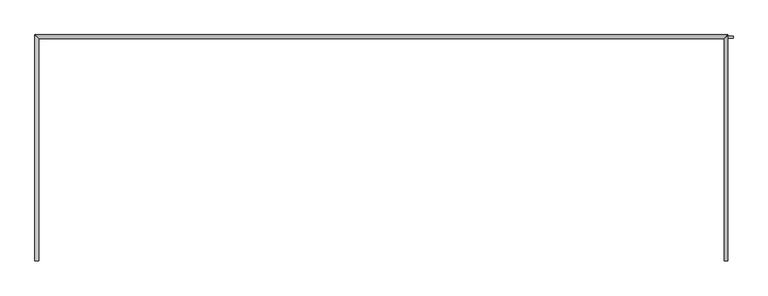
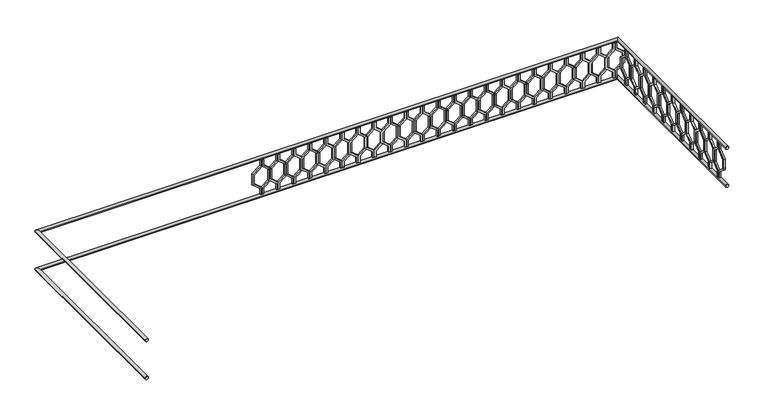
"""IFC4 building model written with IfcOpenShell, lengths in millimetres: railing geometry."""

from ifc_helpers import new_model, si_unit, frame, origin, place, context, project, spatial, polyline, circle_curve, ellipse_curve, outline, extrude, source, transform, mapped, element, save
from ifc_brep_helpers import plane_surface, cylinder_surface, advanced_brep


def railing_b432d40b(model_context):
    return source(origin(), model_context, "Body", "SolidModel", [
        advanced_brep(
        [(42360.0112841, 903.1079487, 12180.0), (42320.0112841, 903.1079487, 12180.0), (42320.0112841, 3283.1079487, 12180.0), (42360.0112841, 3243.1079487, 12180.0), (49600.0112841, 3283.1079487, 12180.0), (49560.0112841, 3243.1079487, 12180.0), (49560.0112841, 903.1079487, 12180.0), (49600.0112841, 903.1079487, 12180.0)],
        [
            (0, 1, circle_curve(frame((42340.0112841, 903.1079487, 12180.0), z_axis=(0.0, -1.0, 0.0), x_axis=(-1.0, 0.0, 0.0)), 20.0)),
            (1, 0, circle_curve(frame((42340.0112841, 903.1079487, 12180.0), z_axis=(0.0, -1.0, 0.0), x_axis=(-1.0, 0.0, 0.0)), 20.0)),
            (1, 2),
            (2, 3, ellipse_curve(frame((42340.0112841, 3263.1079487, 12180.0), z_axis=(-0.7071067811865475, -0.7071067811865476, 0.0), x_axis=(0.7071067811865476, -0.7071067811865475, 0.0)), 28.2842712, 20.0)),
            (3, 0),
            (3, 2, ellipse_curve(frame((42340.0112841, 3263.1079487, 12180.0), z_axis=(-0.7071067811865475, -0.7071067811865476, 0.0), x_axis=(0.7071067811865476, -0.7071067811865475, 0.0)), 28.2842712, 20.0)),
            (2, 4),
            (4, 5, ellipse_curve(frame((49580.0112841, 3263.1079487, 12180.0), z_axis=(-0.7071067811865481, 0.7071067811865469, 0.0), x_axis=(-0.7071067811865469, -0.7071067811865481, 0.0)), 28.2842712, 20.0)),
            (5, 3),
            (5, 4, ellipse_curve(frame((49580.0112841, 3263.1079487, 12180.0), z_axis=(-0.7071067811865481, 0.7071067811865469, 0.0), x_axis=(-0.7071067811865469, -0.7071067811865481, 0.0)), 28.2842712, 20.0)),
            (6, 7, circle_curve(frame((49580.0112841, 903.1079487, 12180.0), z_axis=(0.0, -1.0, 0.0), x_axis=(1.0, 0.0, 0.0)), 20.0)),
            (7, 6, circle_curve(frame((49580.0112841, 903.1079487, 12180.0), z_axis=(0.0, -1.0, 0.0), x_axis=(1.0, 0.0, 0.0)), 20.0)),
            (4, 7),
            (6, 5),
        ],
        [
            plane_surface(frame((42340.0112841, 903.1079487, 12200.0), z_axis=(0.0, -1.0, 0.0), x_axis=(0.0, 0.0, 1.0))),
            cylinder_surface(frame((42340.0112841, 903.1079487, 12180.0), z_axis=(0.0, -1.0, 0.0), x_axis=(-1.0, 0.0, 0.0)), 20.0),
            cylinder_surface(frame((42340.0112841, 3263.1079487, 12180.0), z_axis=(-1.0, 0.0, 0.0), x_axis=(0.0, 1.0, 0.0)), 20.0),
            plane_surface(frame((49580.0112841, 903.1079487, 12200.0), z_axis=(0.0, -1.0, 0.0), x_axis=(0.0, 0.0, -1.0))),
            cylinder_surface(frame((49580.0112841, 3263.1079487, 12180.0), z_axis=(0.0, 1.0, 0.0), x_axis=(1.0, 0.0, 0.0)), 20.0),
        ],
        [
            (0, [[1, 2]]),
            (1, [[-2, 3, 4, 5]]),
            (1, [[-1, -5, 6, -3]]),
            (2, [[-4, 7, 8, 9]]),
            (2, [[-6, -9, 10, -7]]),
            (3, [[11, 12]]),
            (4, [[-8, 13, -11, 14]]),
            (4, [[-10, -14, -12, -13]]),
        ],
    ),
        advanced_brep(
        [(42360.0112841, 903.1079487, 11680.0), (42320.0112841, 903.1079487, 11680.0), (42320.0112841, 3283.1079487, 11680.0), (42360.0112841, 3243.1079487, 11680.0), (49600.0112841, 3283.1079487, 11680.0), (49560.0112841, 3243.1079487, 11680.0), (49560.0112841, 903.1079487, 11680.0), (49600.0112841, 903.1079487, 11680.0)],
        [
            (0, 1, circle_curve(frame((42340.0112841, 903.1079487, 11680.0), z_axis=(0.0, -1.0, 0.0), x_axis=(-1.0, 0.0, 0.0)), 20.0)),
            (1, 0, circle_curve(frame((42340.0112841, 903.1079487, 11680.0), z_axis=(0.0, -1.0, 0.0), x_axis=(-1.0, 0.0, 0.0)), 20.0)),
            (1, 2),
            (2, 3, ellipse_curve(frame((42340.0112841, 3263.1079487, 11680.0), z_axis=(-0.7071067811865475, -0.7071067811865476, 0.0), x_axis=(0.7071067811865476, -0.7071067811865475, 0.0)), 28.2842712, 20.0)),
            (3, 0),
            (3, 2, ellipse_curve(frame((42340.0112841, 3263.1079487, 11680.0), z_axis=(-0.7071067811865475, -0.7071067811865476, 0.0), x_axis=(0.7071067811865476, -0.7071067811865475, 0.0)), 28.2842712, 20.0)),
            (2, 4),
            (4, 5, ellipse_curve(frame((49580.0112841, 3263.1079487, 11680.0), z_axis=(-0.7071067811865481, 0.7071067811865469, 0.0), x_axis=(-0.7071067811865469, -0.7071067811865481, 0.0)), 28.2842712, 20.0)),
            (5, 3),
            (5, 4, ellipse_curve(frame((49580.0112841, 3263.1079487, 11680.0), z_axis=(-0.7071067811865481, 0.7071067811865469, 0.0), x_axis=(-0.7071067811865469, -0.7071067811865481, 0.0)), 28.2842712, 20.0)),
            (6, 7, circle_curve(frame((49580.0112841, 903.1079487, 11680.0), z_axis=(0.0, -1.0, 0.0), x_axis=(1.0, 0.0, 0.0)), 20.0)),
            (7, 6, circle_curve(frame((49580.0112841, 903.1079487, 11680.0), z_axis=(0.0, -1.0, 0.0), x_axis=(1.0, 0.0, 0.0)), 20.0)),
            (4, 7),
            (6, 5),
        ],
        [
            plane_surface(frame((42340.0112841, 903.1079487, 11700.0), z_axis=(0.0, -1.0, 0.0), x_axis=(0.0, 0.0, 1.0))),
            cylinder_surface(frame((42340.0112841, 903.1079487, 11680.0), z_axis=(0.0, -1.0, 0.0), x_axis=(-1.0, 0.0, 0.0)), 20.0),
            cylinder_surface(frame((42340.0112841, 3263.1079487, 11680.0), z_axis=(-1.0, 0.0, 0.0), x_axis=(0.0, 1.0, 0.0)), 20.0),
            plane_surface(frame((49580.0112841, 903.1079487, 11700.0), z_axis=(0.0, -1.0, 0.0), x_axis=(0.0, 0.0, -1.0))),
            cylinder_surface(frame((49580.0112841, 3263.1079487, 11680.0), z_axis=(0.0, 1.0, 0.0), x_axis=(1.0, 0.0, 0.0)), 20.0),
        ],
        [
            (0, [[1, 2]]),
            (1, [[-2, 3, 4, 5]]),
            (1, [[-1, -5, 6, -3]]),
            (2, [[-4, 7, 8, 9]]),
            (2, [[-6, -9, 10, -7]]),
            (3, [[11, 12]]),
            (4, [[-8, 13, -11, 14]]),
            (4, [[-10, -14, -12, -13]]),
        ],
    ),
        extrude(outline(polyline([(1068.1079487, 12160.0), (1068.1079487, 12070.448155), (969.1129993, 11990.448155), (969.1129993, 11869.551845), (1068.1079487, 11789.551845), (1068.1079487, 11700.0), (1048.1079487, 11700.0), (1048.1079487, 11780.0), (949.1129993, 11860.0), (949.1129993, 12000.0), (1048.1079487, 12080.0), (1048.1079487, 12160.0), (1068.1079487, 12160.0)])), frame((49565.0112841, 0.0, 0.0), z_axis=(1.0, 0.0, 0.0), x_axis=(0.0, 1.0, 0.0)), (0.0, 0.0, 1.0), 20.0),
        extrude(outline(polyline([(1068.1079487, 12160.0), (1088.1079487, 12160.0), (1088.1079487, 12080.0), (1187.102898, 12000.0), (1187.102898, 11860.0), (1088.1079487, 11780.0), (1088.1079487, 11700.0), (1068.1079487, 11700.0), (1068.1079487, 11789.551845), (1167.102898, 11869.551845), (1167.102898, 11990.448155), (1068.1079487, 12070.448155), (1068.1079487, 12160.0)])), frame((49565.0112841, 0.0, 0.0), z_axis=(1.0, 0.0, 0.0), x_axis=(0.0, 1.0, 0.0)), (0.0, 0.0, 1.0), 20.0),
        extrude(outline(polyline([(1268.1079487, 12160.0), (1268.1079487, 12070.448155), (1169.1129993, 11990.448155), (1169.1129993, 11869.551845), (1268.1079487, 11789.551845), (1268.1079487, 11700.0), (1248.1079487, 11700.0), (1248.1079487, 11780.0), (1149.1129993, 11860.0), (1149.1129993, 12000.0), (1248.1079487, 12080.0), (1248.1079487, 12160.0), (1268.1079487, 12160.0)])), frame((49565.0112841, 0.0, 0.0), z_axis=(1.0, 0.0, 0.0), x_axis=(0.0, 1.0, 0.0)), (0.0, 0.0, 1.0), 20.0),
        extrude(outline(polyline([(1268.1079487, 12160.0), (1288.1079487, 12160.0), (1288.1079487, 12080.0), (1387.102898, 12000.0), (1387.102898, 11860.0), (1288.1079487, 11780.0), (1288.1079487, 11700.0), (1268.1079487, 11700.0), (1268.1079487, 11789.551845), (1367.102898, 11869.551845), (1367.102898, 11990.448155), (1268.1079487, 12070.448155), (1268.1079487, 12160.0)])), frame((49565.0112841, 0.0, 0.0), z_axis=(1.0, 0.0, 0.0), x_axis=(0.0, 1.0, 0.0)), (0.0, 0.0, 1.0), 20.0),
        extrude(outline(polyline([(1468.1079487, 12160.0), (1468.1079487, 12070.448155), (1369.1129993, 11990.448155), (1369.1129993, 11869.551845), (1468.1079487, 11789.551845), (1468.1079487, 11700.0), (1448.1079487, 11700.0), (1448.1079487, 11780.0), (1349.1129993, 11860.0), (1349.1129993, 12000.0), (1448.1079487, 12080.0), (1448.1079487, 12160.0), (1468.1079487, 12160.0)])), frame((49565.0112841, 0.0, 0.0), z_axis=(1.0, 0.0, 0.0), x_axis=(0.0, 1.0, 0.0)), (0.0, 0.0, 1.0), 20.0),
        extrude(outline(polyline([(1468.1079487, 12160.0), (1488.1079487, 12160.0), (1488.1079487, 12080.0), (1587.102898, 12000.0), (1587.102898, 11860.0), (1488.1079487, 11780.0), (1488.1079487, 11700.0), (1468.1079487, 11700.0), (1468.1079487, 11789.551845), (1567.102898, 11869.551845), (1567.102898, 11990.448155), (1468.1079487, 12070.448155), (1468.1079487, 12160.0)])), frame((49565.0112841, 0.0, 0.0), z_axis=(1.0, 0.0, 0.0), x_axis=(0.0, 1.0, 0.0)), (0.0, 0.0, 1.0), 20.0),
        extrude(outline(polyline([(1668.1079487, 12160.0), (1668.1079487, 12070.448155), (1569.1129993, 11990.448155), (1569.1129993, 11869.551845), (1668.1079487, 11789.551845), (1668.1079487, 11700.0), (1648.1079487, 11700.0), (1648.1079487, 11780.0), (1549.1129993, 11860.0), (1549.1129993, 12000.0), (1648.1079487, 12080.0), (1648.1079487, 12160.0), (1668.1079487, 12160.0)])), frame((49565.0112841, 0.0, 0.0), z_axis=(1.0, 0.0, 0.0), x_axis=(0.0, 1.0, 0.0)), (0.0, 0.0, 1.0), 20.0),
        extrude(outline(polyline([(1668.1079487, 12160.0), (1688.1079487, 12160.0), (1688.1079487, 12080.0), (1787.102898, 12000.0), (1787.102898, 11860.0), (1688.1079487, 11780.0), (1688.1079487, 11700.0), (1668.1079487, 11700.0), (1668.1079487, 11789.551845), (1767.102898, 11869.551845), (1767.102898, 11990.448155), (1668.1079487, 12070.448155), (1668.1079487, 12160.0)])), frame((49565.0112841, 0.0, 0.0), z_axis=(1.0, 0.0, 0.0), x_axis=(0.0, 1.0, 0.0)), (0.0, 0.0, 1.0), 20.0),
        extrude(outline(polyline([(1868.1079487, 12160.0), (1868.1079487, 12070.448155), (1769.1129993, 11990.448155), (1769.1129993, 11869.551845), (1868.1079487, 11789.551845), (1868.1079487, 11700.0), (1848.1079487, 11700.0), (1848.1079487, 11780.0), (1749.1129993, 11860.0), (1749.1129993, 12000.0), (1848.1079487, 12080.0), (1848.1079487, 12160.0), (1868.1079487, 12160.0)])), frame((49565.0112841, 0.0, 0.0), z_axis=(1.0, 0.0, 0.0), x_axis=(0.0, 1.0, 0.0)), (0.0, 0.0, 1.0), 20.0),
        extrude(outline(polyline([(1868.1079487, 12160.0), (1888.1079487, 12160.0), (1888.1079487, 12080.0), (1987.102898, 12000.0), (1987.102898, 11860.0), (1888.1079487, 11780.0), (1888.1079487, 11700.0), (1868.1079487, 11700.0), (1868.1079487, 11789.551845), (1967.102898, 11869.551845), (1967.102898, 11990.448155), (1868.1079487, 12070.448155), (1868.1079487, 12160.0)])), frame((49565.0112841, 0.0, 0.0), z_axis=(1.0, 0.0, 0.0), x_axis=(0.0, 1.0, 0.0)), (0.0, 0.0, 1.0), 20.0),
        extrude(outline(polyline([(2068.1079487, 12160.0), (2068.1079487, 12070.448155), (1969.1129993, 11990.448155), (1969.1129993, 11869.551845), (2068.1079487, 11789.551845), (2068.1079487, 11700.0), (2048.1079487, 11700.0), (2048.1079487, 11780.0), (1949.1129993, 11860.0), (1949.1129993, 12000.0), (2048.1079487, 12080.0), (2048.1079487, 12160.0), (2068.1079487, 12160.0)])), frame((49565.0112841, 0.0, 0.0), z_axis=(1.0, 0.0, 0.0), x_axis=(0.0, 1.0, 0.0)), (0.0, 0.0, 1.0), 20.0),
        extrude(outline(polyline([(2068.1079487, 12160.0), (2088.1079487, 12160.0), (2088.1079487, 12080.0), (2187.102898, 12000.0), (2187.102898, 11860.0), (2088.1079487, 11780.0), (2088.1079487, 11700.0), (2068.1079487, 11700.0), (2068.1079487, 11789.551845), (2167.102898, 11869.551845), (2167.102898, 11990.448155), (2068.1079487, 12070.448155), (2068.1079487, 12160.0)])), frame((49565.0112841, 0.0, 0.0), z_axis=(1.0, 0.0, 0.0), x_axis=(0.0, 1.0, 0.0)), (0.0, 0.0, 1.0), 20.0),
        extrude(outline(polyline([(2268.1079487, 12160.0), (2268.1079487, 12070.448155), (2169.1129993, 11990.448155), (2169.1129993, 11869.551845), (2268.1079487, 11789.551845), (2268.1079487, 11700.0), (2248.1079487, 11700.0), (2248.1079487, 11780.0), (2149.1129993, 11860.0), (2149.1129993, 12000.0), (2248.1079487, 12080.0), (2248.1079487, 12160.0), (2268.1079487, 12160.0)])), frame((49565.0112841, 0.0, 0.0), z_axis=(1.0, 0.0, 0.0), x_axis=(0.0, 1.0, 0.0)), (0.0, 0.0, 1.0), 20.0),
        extrude(outline(polyline([(2268.1079487, 12160.0), (2288.1079487, 12160.0), (2288.1079487, 12080.0), (2387.102898, 12000.0), (2387.102898, 11860.0), (2288.1079487, 11780.0), (2288.1079487, 11700.0), (2268.1079487, 11700.0), (2268.1079487, 11789.551845), (2367.102898, 11869.551845), (2367.102898, 11990.448155), (2268.1079487, 12070.448155), (2268.1079487, 12160.0)])), frame((49565.0112841, 0.0, 0.0), z_axis=(1.0, 0.0, 0.0), x_axis=(0.0, 1.0, 0.0)), (0.0, 0.0, 1.0), 20.0),
        extrude(outline(polyline([(2468.1079487, 12160.0), (2468.1079487, 12070.448155), (2369.1129993, 11990.448155), (2369.1129993, 11869.551845), (2468.1079487, 11789.551845), (2468.1079487, 11700.0), (2448.1079487, 11700.0), (2448.1079487, 11780.0), (2349.1129993, 11860.0), (2349.1129993, 12000.0), (2448.1079487, 12080.0), (2448.1079487, 12160.0), (2468.1079487, 12160.0)])), frame((49565.0112841, 0.0, 0.0), z_axis=(1.0, 0.0, 0.0), x_axis=(0.0, 1.0, 0.0)), (0.0, 0.0, 1.0), 20.0),
        extrude(outline(polyline([(2468.1079487, 12160.0), (2488.1079487, 12160.0), (2488.1079487, 12080.0), (2587.102898, 12000.0), (2587.102898, 11860.0), (2488.1079487, 11780.0), (2488.1079487, 11700.0), (2468.1079487, 11700.0), (2468.1079487, 11789.551845), (2567.102898, 11869.551845), (2567.102898, 11990.448155), (2468.1079487, 12070.448155), (2468.1079487, 12160.0)])), frame((49565.0112841, 0.0, 0.0), z_axis=(1.0, 0.0, 0.0), x_axis=(0.0, 1.0, 0.0)), (0.0, 0.0, 1.0), 20.0),
        extrude(outline(polyline([(2668.1079487, 12160.0), (2668.1079487, 12070.448155), (2569.1129993, 11990.448155), (2569.1129993, 11869.551845), (2668.1079487, 11789.551845), (2668.1079487, 11700.0), (2648.1079487, 11700.0), (2648.1079487, 11780.0), (2549.1129993, 11860.0), (2549.1129993, 12000.0), (2648.1079487, 12080.0), (2648.1079487, 12160.0), (2668.1079487, 12160.0)])), frame((49565.0112841, 0.0, 0.0), z_axis=(1.0, 0.0, 0.0), x_axis=(0.0, 1.0, 0.0)), (0.0, 0.0, 1.0), 20.0),
        extrude(outline(polyline([(2668.1079487, 12160.0), (2688.1079487, 12160.0), (2688.1079487, 12080.0), (2787.102898, 12000.0), (2787.102898, 11860.0), (2688.1079487, 11780.0), (2688.1079487, 11700.0), (2668.1079487, 11700.0), (2668.1079487, 11789.551845), (2767.102898, 11869.551845), (2767.102898, 11990.448155), (2668.1079487, 12070.448155), (2668.1079487, 12160.0)])), frame((49565.0112841, 0.0, 0.0), z_axis=(1.0, 0.0, 0.0), x_axis=(0.0, 1.0, 0.0)), (0.0, 0.0, 1.0), 20.0),
        extrude(outline(polyline([(2868.1079487, 12160.0), (2868.1079487, 12070.448155), (2769.1129993, 11990.448155), (2769.1129993, 11869.551845), (2868.1079487, 11789.551845), (2868.1079487, 11700.0), (2848.1079487, 11700.0), (2848.1079487, 11780.0), (2749.1129993, 11860.0), (2749.1129993, 12000.0), (2848.1079487, 12080.0), (2848.1079487, 12160.0), (2868.1079487, 12160.0)])), frame((49565.0112841, 0.0, 0.0), z_axis=(1.0, 0.0, 0.0), x_axis=(0.0, 1.0, 0.0)), (0.0, 0.0, 1.0), 20.0),
        extrude(outline(polyline([(2868.1079487, 12160.0), (2888.1079487, 12160.0), (2888.1079487, 12080.0), (2987.102898, 12000.0), (2987.102898, 11860.0), (2888.1079487, 11780.0), (2888.1079487, 11700.0), (2868.1079487, 11700.0), (2868.1079487, 11789.551845), (2967.102898, 11869.551845), (2967.102898, 11990.448155), (2868.1079487, 12070.448155), (2868.1079487, 12160.0)])), frame((49565.0112841, 0.0, 0.0), z_axis=(1.0, 0.0, 0.0), x_axis=(0.0, 1.0, 0.0)), (0.0, 0.0, 1.0), 20.0),
        extrude(outline(polyline([(3068.1079487, 12160.0), (3068.1079487, 12070.448155), (2969.1129993, 11990.448155), (2969.1129993, 11869.551845), (3068.1079487, 11789.551845), (3068.1079487, 11700.0), (3048.1079487, 11700.0), (3048.1079487, 11780.0), (2949.1129993, 11860.0), (2949.1129993, 12000.0), (3048.1079487, 12080.0), (3048.1079487, 12160.0), (3068.1079487, 12160.0)])), frame((49565.0112841, 0.0, 0.0), z_axis=(1.0, 0.0, 0.0), x_axis=(0.0, 1.0, 0.0)), (0.0, 0.0, 1.0), 20.0),
        extrude(outline(polyline([(3068.1079487, 12160.0), (3088.1079487, 12160.0), (3088.1079487, 12080.0), (3187.102898, 12000.0), (3187.102898, 11860.0), (3088.1079487, 11780.0), (3088.1079487, 11700.0), (3068.1079487, 11700.0), (3068.1079487, 11789.551845), (3167.102898, 11869.551845), (3167.102898, 11990.448155), (3068.1079487, 12070.448155), (3068.1079487, 12160.0)])), frame((49565.0112841, 0.0, 0.0), z_axis=(1.0, 0.0, 0.0), x_axis=(0.0, 1.0, 0.0)), (0.0, 0.0, 1.0), 20.0),
        extrude(outline(polyline([(12160.0, 49535.0112841), (12070.448155, 49535.0112841), (11990.448155, 49634.0062335), (11869.551845, 49634.0062335), (11789.551845, 49535.0112841), (11700.0, 49535.0112841), (11700.0, 49555.0112841), (11780.0, 49555.0112841), (11860.0, 49654.0062335), (12000.0, 49654.0062335), (12080.0, 49555.0112841), (12160.0, 49555.0112841), (12160.0, 49535.0112841)])), frame((0.0, 3248.1079487, 0.0), z_axis=(0.0, 1.0, 0.0), x_axis=(0.0, 0.0, 1.0)), (0.0, 0.0, 1.0), 20.0),
        extrude(outline(polyline([(12160.0, 49535.0112841), (12160.0, 49515.0112841), (12080.0, 49515.0112841), (12000.0, 49416.0163347), (11860.0, 49416.0163347), (11780.0, 49515.0112841), (11700.0, 49515.0112841), (11700.0, 49535.0112841), (11789.551845, 49535.0112841), (11869.551845, 49436.0163347), (11990.448155, 49436.0163347), (12070.448155, 49535.0112841), (12160.0, 49535.0112841)])), frame((0.0, 3248.1079487, 0.0), z_axis=(0.0, 1.0, 0.0), x_axis=(0.0, 0.0, 1.0)), (0.0, 0.0, 1.0), 20.0),
        extrude(outline(polyline([(12160.0, 49335.0112841), (12070.448155, 49335.0112841), (11990.448155, 49434.0062335), (11869.551845, 49434.0062335), (11789.551845, 49335.0112841), (11700.0, 49335.0112841), (11700.0, 49355.0112841), (11780.0, 49355.0112841), (11860.0, 49454.0062335), (12000.0, 49454.0062335), (12080.0, 49355.0112841), (12160.0, 49355.0112841), (12160.0, 49335.0112841)])), frame((0.0, 3248.1079487, 0.0), z_axis=(0.0, 1.0, 0.0), x_axis=(0.0, 0.0, 1.0)), (0.0, 0.0, 1.0), 20.0),
        extrude(outline(polyline([(12160.0, 49335.0112841), (12160.0, 49315.0112841), (12080.0, 49315.0112841), (12000.0, 49216.0163347), (11860.0, 49216.0163347), (11780.0, 49315.0112841), (11700.0, 49315.0112841), (11700.0, 49335.0112841), (11789.551845, 49335.0112841), (11869.551845, 49236.0163347), (11990.448155, 49236.0163347), (12070.448155, 49335.0112841), (12160.0, 49335.0112841)])), frame((0.0, 3248.1079487, 0.0), z_axis=(0.0, 1.0, 0.0), x_axis=(0.0, 0.0, 1.0)), (0.0, 0.0, 1.0), 20.0),
        extrude(outline(polyline([(12160.0, 49135.0112841), (12070.448155, 49135.0112841), (11990.448155, 49234.0062335), (11869.551845, 49234.0062335), (11789.551845, 49135.0112841), (11700.0, 49135.0112841), (11700.0, 49155.0112841), (11780.0, 49155.0112841), (11860.0, 49254.0062335), (12000.0, 49254.0062335), (12080.0, 49155.0112841), (12160.0, 49155.0112841), (12160.0, 49135.0112841)])), frame((0.0, 3248.1079487, 0.0), z_axis=(0.0, 1.0, 0.0), x_axis=(0.0, 0.0, 1.0)), (0.0, 0.0, 1.0), 20.0),
        extrude(outline(polyline([(12160.0, 49135.0112841), (12160.0, 49115.0112841), (12080.0, 49115.0112841), (12000.0, 49016.0163347), (11860.0, 49016.0163347), (11780.0, 49115.0112841), (11700.0, 49115.0112841), (11700.0, 49135.0112841), (11789.551845, 49135.0112841), (11869.551845, 49036.0163347), (11990.448155, 49036.0163347), (12070.448155, 49135.0112841), (12160.0, 49135.0112841)])), frame((0.0, 3248.1079487, 0.0), z_axis=(0.0, 1.0, 0.0), x_axis=(0.0, 0.0, 1.0)), (0.0, 0.0, 1.0), 20.0),
        extrude(outline(polyline([(12160.0, 48935.0112841), (12070.448155, 48935.0112841), (11990.448155, 49034.0062335), (11869.551845, 49034.0062335), (11789.551845, 48935.0112841), (11700.0, 48935.0112841), (11700.0, 48955.0112841), (11780.0, 48955.0112841), (11860.0, 49054.0062335), (12000.0, 49054.0062335), (12080.0, 48955.0112841), (12160.0, 48955.0112841), (12160.0, 48935.0112841)])), frame((0.0, 3248.1079487, 0.0), z_axis=(0.0, 1.0, 0.0), x_axis=(0.0, 0.0, 1.0)), (0.0, 0.0, 1.0), 20.0),
        extrude(outline(polyline([(12160.0, 48935.0112841), (12160.0, 48915.0112841), (12080.0, 48915.0112841), (12000.0, 48816.0163347), (11860.0, 48816.0163347), (11780.0, 48915.0112841), (11700.0, 48915.0112841), (11700.0, 48935.0112841), (11789.551845, 48935.0112841), (11869.551845, 48836.0163347), (11990.448155, 48836.0163347), (12070.448155, 48935.0112841), (12160.0, 48935.0112841)])), frame((0.0, 3248.1079487, 0.0), z_axis=(0.0, 1.0, 0.0), x_axis=(0.0, 0.0, 1.0)), (0.0, 0.0, 1.0), 20.0),
        extrude(outline(polyline([(12160.0, 48735.0112841), (12070.448155, 48735.0112841), (11990.448155, 48834.0062335), (11869.551845, 48834.0062335), (11789.551845, 48735.0112841), (11700.0, 48735.0112841), (11700.0, 48755.0112841), (11780.0, 48755.0112841), (11860.0, 48854.0062335), (12000.0, 48854.0062335), (12080.0, 48755.0112841), (12160.0, 48755.0112841), (12160.0, 48735.0112841)])), frame((0.0, 3248.1079487, 0.0), z_axis=(0.0, 1.0, 0.0), x_axis=(0.0, 0.0, 1.0)), (0.0, 0.0, 1.0), 20.0),
        extrude(outline(polyline([(12160.0, 48735.0112841), (12160.0, 48715.0112841), (12080.0, 48715.0112841), (12000.0, 48616.0163347), (11860.0, 48616.0163347), (11780.0, 48715.0112841), (11700.0, 48715.0112841), (11700.0, 48735.0112841), (11789.551845, 48735.0112841), (11869.551845, 48636.0163347), (11990.448155, 48636.0163347), (12070.448155, 48735.0112841), (12160.0, 48735.0112841)])), frame((0.0, 3248.1079487, 0.0), z_axis=(0.0, 1.0, 0.0), x_axis=(0.0, 0.0, 1.0)), (0.0, 0.0, 1.0), 20.0),
        extrude(outline(polyline([(12160.0, 48535.0112841), (12070.448155, 48535.0112841), (11990.448155, 48634.0062335), (11869.551845, 48634.0062335), (11789.551845, 48535.0112841), (11700.0, 48535.0112841), (11700.0, 48555.0112841), (11780.0, 48555.0112841), (11860.0, 48654.0062335), (12000.0, 48654.0062335), (12080.0, 48555.0112841), (12160.0, 48555.0112841), (12160.0, 48535.0112841)])), frame((0.0, 3248.1079487, 0.0), z_axis=(0.0, 1.0, 0.0), x_axis=(0.0, 0.0, 1.0)), (0.0, 0.0, 1.0), 20.0),
        extrude(outline(polyline([(12160.0, 48535.0112841), (12160.0, 48515.0112841), (12080.0, 48515.0112841), (12000.0, 48416.0163347), (11860.0, 48416.0163347), (11780.0, 48515.0112841), (11700.0, 48515.0112841), (11700.0, 48535.0112841), (11789.551845, 48535.0112841), (11869.551845, 48436.0163347), (11990.448155, 48436.0163347), (12070.448155, 48535.0112841), (12160.0, 48535.0112841)])), frame((0.0, 3248.1079487, 0.0), z_axis=(0.0, 1.0, 0.0), x_axis=(0.0, 0.0, 1.0)), (0.0, 0.0, 1.0), 20.0),
        extrude(outline(polyline([(12160.0, 48335.0112841), (12070.448155, 48335.0112841), (11990.448155, 48434.0062335), (11869.551845, 48434.0062335), (11789.551845, 48335.0112841), (11700.0, 48335.0112841), (11700.0, 48355.0112841), (11780.0, 48355.0112841), (11860.0, 48454.0062335), (12000.0, 48454.0062335), (12080.0, 48355.0112841), (12160.0, 48355.0112841), (12160.0, 48335.0112841)])), frame((0.0, 3248.1079487, 0.0), z_axis=(0.0, 1.0, 0.0), x_axis=(0.0, 0.0, 1.0)), (0.0, 0.0, 1.0), 20.0),
        extrude(outline(polyline([(12160.0, 48335.0112841), (12160.0, 48315.0112841), (12080.0, 48315.0112841), (12000.0, 48216.0163347), (11860.0, 48216.0163347), (11780.0, 48315.0112841), (11700.0, 48315.0112841), (11700.0, 48335.0112841), (11789.551845, 48335.0112841), (11869.551845, 48236.0163347), (11990.448155, 48236.0163347), (12070.448155, 48335.0112841), (12160.0, 48335.0112841)])), frame((0.0, 3248.1079487, 0.0), z_axis=(0.0, 1.0, 0.0), x_axis=(0.0, 0.0, 1.0)), (0.0, 0.0, 1.0), 20.0),
        extrude(outline(polyline([(12160.0, 48135.0112841), (12070.448155, 48135.0112841), (11990.448155, 48234.0062335), (11869.551845, 48234.0062335), (11789.551845, 48135.0112841), (11700.0, 48135.0112841), (11700.0, 48155.0112841), (11780.0, 48155.0112841), (11860.0, 48254.0062335), (12000.0, 48254.0062335), (12080.0, 48155.0112841), (12160.0, 48155.0112841), (12160.0, 48135.0112841)])), frame((0.0, 3248.1079487, 0.0), z_axis=(0.0, 1.0, 0.0), x_axis=(0.0, 0.0, 1.0)), (0.0, 0.0, 1.0), 20.0),
        extrude(outline(polyline([(12160.0, 48135.0112841), (12160.0, 48115.0112841), (12080.0, 48115.0112841), (12000.0, 48016.0163347), (11860.0, 48016.0163347), (11780.0, 48115.0112841), (11700.0, 48115.0112841), (11700.0, 48135.0112841), (11789.551845, 48135.0112841), (11869.551845, 48036.0163347), (11990.448155, 48036.0163347), (12070.448155, 48135.0112841), (12160.0, 48135.0112841)])), frame((0.0, 3248.1079487, 0.0), z_axis=(0.0, 1.0, 0.0), x_axis=(0.0, 0.0, 1.0)), (0.0, 0.0, 1.0), 20.0),
        extrude(outline(polyline([(12160.0, 47935.0112841), (12070.448155, 47935.0112841), (11990.448155, 48034.0062335), (11869.551845, 48034.0062335), (11789.551845, 47935.0112841), (11700.0, 47935.0112841), (11700.0, 47955.0112841), (11780.0, 47955.0112841), (11860.0, 48054.0062335), (12000.0, 48054.0062335), (12080.0, 47955.0112841), (12160.0, 47955.0112841), (12160.0, 47935.0112841)])), frame((0.0, 3248.1079487, 0.0), z_axis=(0.0, 1.0, 0.0), x_axis=(0.0, 0.0, 1.0)), (0.0, 0.0, 1.0), 20.0),
        extrude(outline(polyline([(12160.0, 47935.0112841), (12160.0, 47915.0112841), (12080.0, 47915.0112841), (12000.0, 47816.0163347), (11860.0, 47816.0163347), (11780.0, 47915.0112841), (11700.0, 47915.0112841), (11700.0, 47935.0112841), (11789.551845, 47935.0112841), (11869.551845, 47836.0163347), (11990.448155, 47836.0163347), (12070.448155, 47935.0112841), (12160.0, 47935.0112841)])), frame((0.0, 3248.1079487, 0.0), z_axis=(0.0, 1.0, 0.0), x_axis=(0.0, 0.0, 1.0)), (0.0, 0.0, 1.0), 20.0),
        extrude(outline(polyline([(12160.0, 47735.0112841), (12070.448155, 47735.0112841), (11990.448155, 47834.0062335), (11869.551845, 47834.0062335), (11789.551845, 47735.0112841), (11700.0, 47735.0112841), (11700.0, 47755.0112841), (11780.0, 47755.0112841), (11860.0, 47854.0062335), (12000.0, 47854.0062335), (12080.0, 47755.0112841), (12160.0, 47755.0112841), (12160.0, 47735.0112841)])), frame((0.0, 3248.1079487, 0.0), z_axis=(0.0, 1.0, 0.0), x_axis=(0.0, 0.0, 1.0)), (0.0, 0.0, 1.0), 20.0),
        extrude(outline(polyline([(12160.0, 47735.0112841), (12160.0, 47715.0112841), (12080.0, 47715.0112841), (12000.0, 47616.0163347), (11860.0, 47616.0163347), (11780.0, 47715.0112841), (11700.0, 47715.0112841), (11700.0, 47735.0112841), (11789.551845, 47735.0112841), (11869.551845, 47636.0163347), (11990.448155, 47636.0163347), (12070.448155, 47735.0112841), (12160.0, 47735.0112841)])), frame((0.0, 3248.1079487, 0.0), z_axis=(0.0, 1.0, 0.0), x_axis=(0.0, 0.0, 1.0)), (0.0, 0.0, 1.0), 20.0),
        extrude(outline(polyline([(12160.0, 47535.0112841), (12070.448155, 47535.0112841), (11990.448155, 47634.0062335), (11869.551845, 47634.0062335), (11789.551845, 47535.0112841), (11700.0, 47535.0112841), (11700.0, 47555.0112841), (11780.0, 47555.0112841), (11860.0, 47654.0062335), (12000.0, 47654.0062335), (12080.0, 47555.0112841), (12160.0, 47555.0112841), (12160.0, 47535.0112841)])), frame((0.0, 3248.1079487, 0.0), z_axis=(0.0, 1.0, 0.0), x_axis=(0.0, 0.0, 1.0)), (0.0, 0.0, 1.0), 20.0),
        extrude(outline(polyline([(12160.0, 47535.0112841), (12160.0, 47515.0112841), (12080.0, 47515.0112841), (12000.0, 47416.0163347), (11860.0, 47416.0163347), (11780.0, 47515.0112841), (11700.0, 47515.0112841), (11700.0, 47535.0112841), (11789.551845, 47535.0112841), (11869.551845, 47436.0163347), (11990.448155, 47436.0163347), (12070.448155, 47535.0112841), (12160.0, 47535.0112841)])), frame((0.0, 3248.1079487, 0.0), z_axis=(0.0, 1.0, 0.0), x_axis=(0.0, 0.0, 1.0)), (0.0, 0.0, 1.0), 20.0),
        extrude(outline(polyline([(12160.0, 47335.0112841), (12070.448155, 47335.0112841), (11990.448155, 47434.0062335), (11869.551845, 47434.0062335), (11789.551845, 47335.0112841), (11700.0, 47335.0112841), (11700.0, 47355.0112841), (11780.0, 47355.0112841), (11860.0, 47454.0062335), (12000.0, 47454.0062335), (12080.0, 47355.0112841), (12160.0, 47355.0112841), (12160.0, 47335.0112841)])), frame((0.0, 3248.1079487, 0.0), z_axis=(0.0, 1.0, 0.0), x_axis=(0.0, 0.0, 1.0)), (0.0, 0.0, 1.0), 20.0),
        extrude(outline(polyline([(12160.0, 47335.0112841), (12160.0, 47315.0112841), (12080.0, 47315.0112841), (12000.0, 47216.0163347), (11860.0, 47216.0163347), (11780.0, 47315.0112841), (11700.0, 47315.0112841), (11700.0, 47335.0112841), (11789.551845, 47335.0112841), (11869.551845, 47236.0163347), (11990.448155, 47236.0163347), (12070.448155, 47335.0112841), (12160.0, 47335.0112841)])), frame((0.0, 3248.1079487, 0.0), z_axis=(0.0, 1.0, 0.0), x_axis=(0.0, 0.0, 1.0)), (0.0, 0.0, 1.0), 20.0),
        extrude(outline(polyline([(12160.0, 47135.0112841), (12070.448155, 47135.0112841), (11990.448155, 47234.0062335), (11869.551845, 47234.0062335), (11789.551845, 47135.0112841), (11700.0, 47135.0112841), (11700.0, 47155.0112841), (11780.0, 47155.0112841), (11860.0, 47254.0062335), (12000.0, 47254.0062335), (12080.0, 47155.0112841), (12160.0, 47155.0112841), (12160.0, 47135.0112841)])), frame((0.0, 3248.1079487, 0.0), z_axis=(0.0, 1.0, 0.0), x_axis=(0.0, 0.0, 1.0)), (0.0, 0.0, 1.0), 20.0),
        extrude(outline(polyline([(12160.0, 47135.0112841), (12160.0, 47115.0112841), (12080.0, 47115.0112841), (12000.0, 47016.0163347), (11860.0, 47016.0163347), (11780.0, 47115.0112841), (11700.0, 47115.0112841), (11700.0, 47135.0112841), (11789.551845, 47135.0112841), (11869.551845, 47036.0163347), (11990.448155, 47036.0163347), (12070.448155, 47135.0112841), (12160.0, 47135.0112841)])), frame((0.0, 3248.1079487, 0.0), z_axis=(0.0, 1.0, 0.0), x_axis=(0.0, 0.0, 1.0)), (0.0, 0.0, 1.0), 20.0),
        extrude(outline(polyline([(12160.0, 46935.0112841), (12070.448155, 46935.0112841), (11990.448155, 47034.0062335), (11869.551845, 47034.0062335), (11789.551845, 46935.0112841), (11700.0, 46935.0112841), (11700.0, 46955.0112841), (11780.0, 46955.0112841), (11860.0, 47054.0062335), (12000.0, 47054.0062335), (12080.0, 46955.0112841), (12160.0, 46955.0112841), (12160.0, 46935.0112841)])), frame((0.0, 3248.1079487, 0.0), z_axis=(0.0, 1.0, 0.0), x_axis=(0.0, 0.0, 1.0)), (0.0, 0.0, 1.0), 20.0),
        extrude(outline(polyline([(12160.0, 46935.0112841), (12160.0, 46915.0112841), (12080.0, 46915.0112841), (12000.0, 46816.0163347), (11860.0, 46816.0163347), (11780.0, 46915.0112841), (11700.0, 46915.0112841), (11700.0, 46935.0112841), (11789.551845, 46935.0112841), (11869.551845, 46836.0163347), (11990.448155, 46836.0163347), (12070.448155, 46935.0112841), (12160.0, 46935.0112841)])), frame((0.0, 3248.1079487, 0.0), z_axis=(0.0, 1.0, 0.0), x_axis=(0.0, 0.0, 1.0)), (0.0, 0.0, 1.0), 20.0),
        extrude(outline(polyline([(12160.0, 46735.0112841), (12070.448155, 46735.0112841), (11990.448155, 46834.0062335), (11869.551845, 46834.0062335), (11789.551845, 46735.0112841), (11700.0, 46735.0112841), (11700.0, 46755.0112841), (11780.0, 46755.0112841), (11860.0, 46854.0062335), (12000.0, 46854.0062335), (12080.0, 46755.0112841), (12160.0, 46755.0112841), (12160.0, 46735.0112841)])), frame((0.0, 3248.1079487, 0.0), z_axis=(0.0, 1.0, 0.0), x_axis=(0.0, 0.0, 1.0)), (0.0, 0.0, 1.0), 20.0),
        extrude(outline(polyline([(12160.0, 46735.0112841), (12160.0, 46715.0112841), (12080.0, 46715.0112841), (12000.0, 46616.0163347), (11860.0, 46616.0163347), (11780.0, 46715.0112841), (11700.0, 46715.0112841), (11700.0, 46735.0112841), (11789.551845, 46735.0112841), (11869.551845, 46636.0163347), (11990.448155, 46636.0163347), (12070.448155, 46735.0112841), (12160.0, 46735.0112841)])), frame((0.0, 3248.1079487, 0.0), z_axis=(0.0, 1.0, 0.0), x_axis=(0.0, 0.0, 1.0)), (0.0, 0.0, 1.0), 20.0),
        extrude(outline(polyline([(12160.0, 46535.0112841), (12070.448155, 46535.0112841), (11990.448155, 46634.0062335), (11869.551845, 46634.0062335), (11789.551845, 46535.0112841), (11700.0, 46535.0112841), (11700.0, 46555.0112841), (11780.0, 46555.0112841), (11860.0, 46654.0062335), (12000.0, 46654.0062335), (12080.0, 46555.0112841), (12160.0, 46555.0112841), (12160.0, 46535.0112841)])), frame((0.0, 3248.1079487, 0.0), z_axis=(0.0, 1.0, 0.0), x_axis=(0.0, 0.0, 1.0)), (0.0, 0.0, 1.0), 20.0),
        extrude(outline(polyline([(12160.0, 46535.0112841), (12160.0, 46515.0112841), (12080.0, 46515.0112841), (12000.0, 46416.0163347), (11860.0, 46416.0163347), (11780.0, 46515.0112841), (11700.0, 46515.0112841), (11700.0, 46535.0112841), (11789.551845, 46535.0112841), (11869.551845, 46436.0163347), (11990.448155, 46436.0163347), (12070.448155, 46535.0112841), (12160.0, 46535.0112841)])), frame((0.0, 3248.1079487, 0.0), z_axis=(0.0, 1.0, 0.0), x_axis=(0.0, 0.0, 1.0)), (0.0, 0.0, 1.0), 20.0),
        extrude(outline(polyline([(12160.0, 46335.0112841), (12070.448155, 46335.0112841), (11990.448155, 46434.0062335), (11869.551845, 46434.0062335), (11789.551845, 46335.0112841), (11700.0, 46335.0112841), (11700.0, 46355.0112841), (11780.0, 46355.0112841), (11860.0, 46454.0062335), (12000.0, 46454.0062335), (12080.0, 46355.0112841), (12160.0, 46355.0112841), (12160.0, 46335.0112841)])), frame((0.0, 3248.1079487, 0.0), z_axis=(0.0, 1.0, 0.0), x_axis=(0.0, 0.0, 1.0)), (0.0, 0.0, 1.0), 20.0),
        extrude(outline(polyline([(12160.0, 46335.0112841), (12160.0, 46315.0112841), (12080.0, 46315.0112841), (12000.0, 46216.0163347), (11860.0, 46216.0163347), (11780.0, 46315.0112841), (11700.0, 46315.0112841), (11700.0, 46335.0112841), (11789.551845, 46335.0112841), (11869.551845, 46236.0163347), (11990.448155, 46236.0163347), (12070.448155, 46335.0112841), (12160.0, 46335.0112841)])), frame((0.0, 3248.1079487, 0.0), z_axis=(0.0, 1.0, 0.0), x_axis=(0.0, 0.0, 1.0)), (0.0, 0.0, 1.0), 20.0),
        extrude(outline(polyline([(12160.0, 46135.0112841), (12070.448155, 46135.0112841), (11990.448155, 46234.0062335), (11869.551845, 46234.0062335), (11789.551845, 46135.0112841), (11700.0, 46135.0112841), (11700.0, 46155.0112841), (11780.0, 46155.0112841), (11860.0, 46254.0062335), (12000.0, 46254.0062335), (12080.0, 46155.0112841), (12160.0, 46155.0112841), (12160.0, 46135.0112841)])), frame((0.0, 3248.1079487, 0.0), z_axis=(0.0, 1.0, 0.0), x_axis=(0.0, 0.0, 1.0)), (0.0, 0.0, 1.0), 20.0),
        extrude(outline(polyline([(12160.0, 46135.0112841), (12160.0, 46115.0112841), (12080.0, 46115.0112841), (12000.0, 46016.0163347), (11860.0, 46016.0163347), (11780.0, 46115.0112841), (11700.0, 46115.0112841), (11700.0, 46135.0112841), (11789.551845, 46135.0112841), (11869.551845, 46036.0163347), (11990.448155, 46036.0163347), (12070.448155, 46135.0112841), (12160.0, 46135.0112841)])), frame((0.0, 3248.1079487, 0.0), z_axis=(0.0, 1.0, 0.0), x_axis=(0.0, 0.0, 1.0)), (0.0, 0.0, 1.0), 20.0),
        extrude(outline(polyline([(12160.0, 45935.0112841), (12070.448155, 45935.0112841), (11990.448155, 46034.0062335), (11869.551845, 46034.0062335), (11789.551845, 45935.0112841), (11700.0, 45935.0112841), (11700.0, 45955.0112841), (11780.0, 45955.0112841), (11860.0, 46054.0062335), (12000.0, 46054.0062335), (12080.0, 45955.0112841), (12160.0, 45955.0112841), (12160.0, 45935.0112841)])), frame((0.0, 3248.1079487, 0.0), z_axis=(0.0, 1.0, 0.0), x_axis=(0.0, 0.0, 1.0)), (0.0, 0.0, 1.0), 20.0),
        extrude(outline(polyline([(12160.0, 45935.0112841), (12160.0, 45915.0112841), (12080.0, 45915.0112841), (12000.0, 45816.0163347), (11860.0, 45816.0163347), (11780.0, 45915.0112841), (11700.0, 45915.0112841), (11700.0, 45935.0112841), (11789.551845, 45935.0112841), (11869.551845, 45836.0163347), (11990.448155, 45836.0163347), (12070.448155, 45935.0112841), (12160.0, 45935.0112841)])), frame((0.0, 3248.1079487, 0.0), z_axis=(0.0, 1.0, 0.0), x_axis=(0.0, 0.0, 1.0)), (0.0, 0.0, 1.0), 20.0),
        extrude(outline(polyline([(12160.0, 45735.0112841), (12070.448155, 45735.0112841), (11990.448155, 45834.0062335), (11869.551845, 45834.0062335), (11789.551845, 45735.0112841), (11700.0, 45735.0112841), (11700.0, 45755.0112841), (11780.0, 45755.0112841), (11860.0, 45854.0062335), (12000.0, 45854.0062335), (12080.0, 45755.0112841), (12160.0, 45755.0112841), (12160.0, 45735.0112841)])), frame((0.0, 3248.1079487, 0.0), z_axis=(0.0, 1.0, 0.0), x_axis=(0.0, 0.0, 1.0)), (0.0, 0.0, 1.0), 20.0),
        extrude(outline(polyline([(12160.0, 45735.0112841), (12160.0, 45715.0112841), (12080.0, 45715.0112841), (12000.0, 45616.0163347), (11860.0, 45616.0163347), (11780.0, 45715.0112841), (11700.0, 45715.0112841), (11700.0, 45735.0112841), (11789.551845, 45735.0112841), (11869.551845, 45636.0163347), (11990.448155, 45636.0163347), (12070.448155, 45735.0112841), (12160.0, 45735.0112841)])), frame((0.0, 3248.1079487, 0.0), z_axis=(0.0, 1.0, 0.0), x_axis=(0.0, 0.0, 1.0)), (0.0, 0.0, 1.0), 20.0),
        extrude(outline(polyline([(12160.0, 45535.0112841), (12070.448155, 45535.0112841), (11990.448155, 45634.0062335), (11869.551845, 45634.0062335), (11789.551845, 45535.0112841), (11700.0, 45535.0112841), (11700.0, 45555.0112841), (11780.0, 45555.0112841), (11860.0, 45654.0062335), (12000.0, 45654.0062335), (12080.0, 45555.0112841), (12160.0, 45555.0112841), (12160.0, 45535.0112841)])), frame((0.0, 3248.1079487, 0.0), z_axis=(0.0, 1.0, 0.0), x_axis=(0.0, 0.0, 1.0)), (0.0, 0.0, 1.0), 20.0),
        extrude(outline(polyline([(12160.0, 45535.0112841), (12160.0, 45515.0112841), (12080.0, 45515.0112841), (12000.0, 45416.0163347), (11860.0, 45416.0163347), (11780.0, 45515.0112841), (11700.0, 45515.0112841), (11700.0, 45535.0112841), (11789.551845, 45535.0112841), (11869.551845, 45436.0163347), (11990.448155, 45436.0163347), (12070.448155, 45535.0112841), (12160.0, 45535.0112841)])), frame((0.0, 3248.1079487, 0.0), z_axis=(0.0, 1.0, 0.0), x_axis=(0.0, 0.0, 1.0)), (0.0, 0.0, 1.0), 20.0),
        extrude(outline(polyline([(12160.0, 45335.0112841), (12070.448155, 45335.0112841), (11990.448155, 45434.0062335), (11869.551845, 45434.0062335), (11789.551845, 45335.0112841), (11700.0, 45335.0112841), (11700.0, 45355.0112841), (11780.0, 45355.0112841), (11860.0, 45454.0062335), (12000.0, 45454.0062335), (12080.0, 45355.0112841), (12160.0, 45355.0112841), (12160.0, 45335.0112841)])), frame((0.0, 3248.1079487, 0.0), z_axis=(0.0, 1.0, 0.0), x_axis=(0.0, 0.0, 1.0)), (0.0, 0.0, 1.0), 20.0),
        extrude(outline(polyline([(12160.0, 45335.0112841), (12160.0, 45315.0112841), (12080.0, 45315.0112841), (12000.0, 45216.0163347), (11860.0, 45216.0163347), (11780.0, 45315.0112841), (11700.0, 45315.0112841), (11700.0, 45335.0112841), (11789.551845, 45335.0112841), (11869.551845, 45236.0163347), (11990.448155, 45236.0163347), (12070.448155, 45335.0112841), (12160.0, 45335.0112841)])), frame((0.0, 3248.1079487, 0.0), z_axis=(0.0, 1.0, 0.0), x_axis=(0.0, 0.0, 1.0)), (0.0, 0.0, 1.0), 20.0),
        extrude(outline(polyline([(12160.0, 45135.0112841), (12070.448155, 45135.0112841), (11990.448155, 45234.0062335), (11869.551845, 45234.0062335), (11789.551845, 45135.0112841), (11700.0, 45135.0112841), (11700.0, 45155.0112841), (11780.0, 45155.0112841), (11860.0, 45254.0062335), (12000.0, 45254.0062335), (12080.0, 45155.0112841), (12160.0, 45155.0112841), (12160.0, 45135.0112841)])), frame((0.0, 3248.1079487, 0.0), z_axis=(0.0, 1.0, 0.0), x_axis=(0.0, 0.0, 1.0)), (0.0, 0.0, 1.0), 20.0),
        extrude(outline(polyline([(12160.0, 45135.0112841), (12160.0, 45115.0112841), (12080.0, 45115.0112841), (12000.0, 45016.0163347), (11860.0, 45016.0163347), (11780.0, 45115.0112841), (11700.0, 45115.0112841), (11700.0, 45135.0112841), (11789.551845, 45135.0112841), (11869.551845, 45036.0163347), (11990.448155, 45036.0163347), (12070.448155, 45135.0112841), (12160.0, 45135.0112841)])), frame((0.0, 3248.1079487, 0.0), z_axis=(0.0, 1.0, 0.0), x_axis=(0.0, 0.0, 1.0)), (0.0, 0.0, 1.0), 20.0),
    ])


if __name__ == "__main__":
    model = new_model("IFC4")
    model_context = context("Model", 3, world=origin())
    ifc_project = project(units=[si_unit("LENGTHUNIT", "METRE", prefix="MILLI")], contexts=[model_context])
    site = spatial("IfcSite", under=ifc_project)
    building = spatial("IfcBuilding", under=site)
    placement = place(None, origin())
    railing_shape = railing_b432d40b(model_context)
    element("IfcRailing", 1, at=placement, inside=building, context=model_context, shape_type="MappedRepresentation", body=[
        mapped(railing_shape, transform((0.0, 0.0, 0.0), x_axis=(1.0, 0.0, 0.0), y_axis=(0.0, 1.0, 0.0), z_axis=(0.0, 0.0, 1.0))),
    ])
    save(model, "model.ifc")
